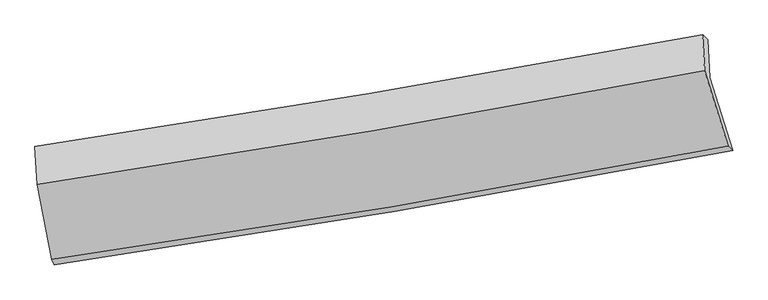
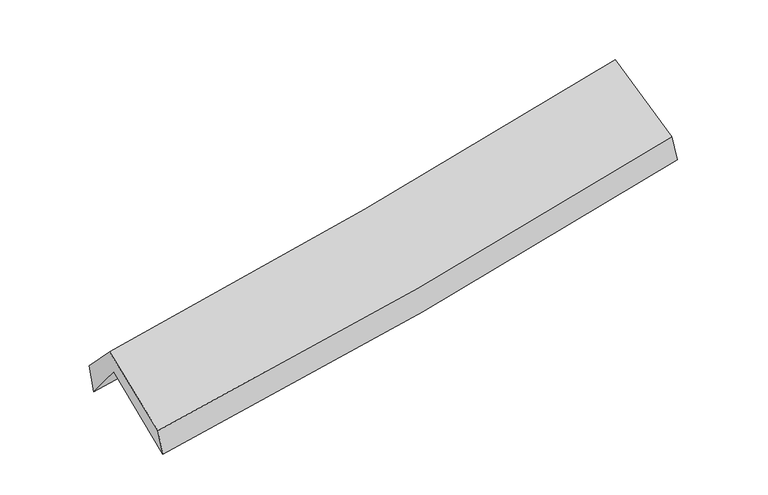
"""IFC4 building model written with IfcOpenShell, lengths in millimetres: proxy geometry."""

from ifc_helpers import new_model, si_unit, frame, origin, place, context, project, spatial, source, transform, mapped, element, save
from ifc_brep_helpers import plane_surface, spline_curve, spline_surface, advanced_brep


def generic_models_18c15f32(model_context):
    return source(origin(), model_context, "Body", "AdvancedBrep", [
        advanced_brep(
        [(-2195.136551, -2466.7541926, 1491.0431761), (-2294.8499999, -1955.7073018, 1917.6635764), (2224.8836543, -1204.063535, 2330.1643859), (2380.3793771, -1693.7532907, 1918.8665004), (-2306.5565058, -1699.9063672, 1595.9345976), (2213.1771485, -948.2626004, 2008.4354071), (-2325.7323207, -1669.1010865, 1806.1049045), (2178.0399769, -914.0817054, 2224.5714426), (-2310.1319462, -1925.0583235, 2073.5747642), (2192.0206268, -1156.1982694, 2506.7029631), (-2213.3339768, -2429.5404215, 1675.3363265), (2349.6639235, -1664.8298578, 2109.3438381)],
        [
            (0, 1),
            (1, 2, spline_curve(3, [(-2294.8499999, -1955.7073018, 1917.6635764), (-1538.739754984, -1842.811106837, 1972.446540164), (-784.148994533, -1723.745991847, 2034.201093182), (722.430654716, -1473.205232655, 2171.693267623), (1474.417778976, -1341.722425738, 2247.438984607), (2224.8836543, -1204.063535, 2330.1643859)], [4, 2, 4], [0.0, 7.594091183795276, 15.192590127505703])),
            (2, 3),
            (3, 0, spline_curve(3, [(2380.3793771, -1693.7532907, 1918.8665004), (1622.567977378, -1838.922833123, 1830.250999302), (862.257936146, -1975.94067067, 1750.283469643), (-662.916938012, -2233.598183479, 1607.685725019), (-1427.778872549, -2354.247313025, 1545.045479947), (-2195.136551, -2466.7541926, 1491.0431761)], [4, 2, 4], [0.0, 7.598498943710427, 15.192590127505703])),
            (1, 4),
            (4, 5, spline_curve(3, [(-2306.5565058, -1699.9063672, 1595.9345976), (-1550.446260813, -1587.010172332, 1650.717561235), (-795.855500326, -1467.945057363, 1712.472114287), (710.724148909, -1217.404298139, 1849.964288918), (1462.711273144, -1085.921491124, 1925.710005636), (2213.1771485, -948.2626004, 2008.4354071)], [4, 2, 4], [0.0, 7.544867620010804, 15.094114429612006])),
            (5, 2),
            (4, 6),
            (6, 7, spline_curve(3, [(-2325.7323207, -1669.1010865, 1806.1049045), (-1572.819972033, -1555.695971465, 1867.018281907), (-821.157965058, -1436.095184395, 1932.335786725), (680.100919151, -1184.429251465, 2071.819518682), (1429.696344715, -1052.356911715, 2145.990860087), (2178.0399769, -914.0817054, 2224.5714426)], [4, 2, 4], [0.0, 7.532799113487897, 15.069970411767594])),
            (7, 5),
            (6, 8),
            (8, 9, spline_curve(3, [(-2310.1319462, -1925.0583235, 2073.5747642), (-1556.464878369, -1812.550815967, 2135.547188546), (-804.56030082, -1692.246242713, 2202.615466499), (696.159269844, -1435.968611575, 2346.985615583), (1444.972217, -1299.986500259, 2424.293403742), (2192.0206268, -1156.1982694, 2506.7029631)], [4, 2, 4], [0.0, 7.522531673815262, 15.049429572998354])),
            (9, 7),
            (8, 10),
            (10, 11, spline_curve(3, [(-2213.3339768, -2429.5404215, 1675.3363265), (-1448.11001328, -2320.602150774, 1733.046904988), (-685.357809137, -2202.428303692, 1798.056875456), (835.644361063, -1947.535506772, 1942.717570321), (1593.891457247, -1810.805832466, 2022.376770353), (2349.6639235, -1664.8298578, 2109.3438381)], [4, 2, 4], [0.0, 7.573094257056686, 15.150584086999192])),
            (11, 9),
            (10, 0),
            (3, 11),
        ],
        [
            spline_surface(3, 3, [[(-2195.136551, -2466.7541926, 1491.0431761), (-1427.77887259, -2354.247313106, 1545.045479831), (-662.916937959, -2233.59818343, 1607.685725033), (862.257936094, -1975.94067072, 1750.283469628), (1622.567977454, -1838.92283309, 1830.250999191), (2380.3793771, -1693.7532907, 1918.8665004)], [(-2228.374367285, -2296.405228993, 1633.24997617), (-1464.765833344, -2183.768577715, 1687.512499905), (-703.327623445, -2063.647452888, 1749.85751438), (815.648842302, -1808.362191392, 1890.753402311), (1573.184577958, -1673.189363922, 1969.313660959), (2328.547469506, -1530.523372119, 2055.965795547)], [(-2261.612183615, -2126.056265407, 1775.45677633), (-1501.752794143, -2013.289842344, 1829.979520067), (-743.73830899, -1893.696722327, 1892.029303755), (769.039748451, -1640.783712045, 2031.223335021), (1523.801178442, -1507.455894797, 2108.376322785), (2276.715561894, -1367.293453581, 2193.065090753)], [(-2294.8499999, -1955.7073018, 1917.6635764), (-1538.739754898, -1842.811106954, 1972.446540141), (-784.148994476, -1723.745991785, 2034.201093102), (722.430654659, -1473.205232717, 2171.693267703), (1474.417778946, -1341.722425629, 2247.438984552), (2224.8836543, -1204.063535, 2330.1643859)]], [4, 4], [4, 2, 4], [0.0, 2.2084555364188514], [0.0, 7.594091183795276, 15.192590127505703]),
            spline_surface(3, 3, [[(-2294.8499999, -1955.7073018, 1917.6635764), (-1538.739754898, -1842.811106954, 1972.446540141), (-784.148994476, -1723.745991785, 2034.201093102), (722.430654659, -1473.205232717, 2171.693267703), (1474.417778946, -1341.722425629, 2247.438984552), (2224.8836543, -1204.063535, 2330.1643859)], [(-2298.752168517, -1870.440323619, 1810.420583474), (-1542.641923515, -1757.544128772, 1865.203547214), (-788.051163093, -1638.479013604, 1926.958100176), (718.528486042, -1387.938254536, 2064.450274776), (1470.515610329, -1256.455447448, 2140.195991626), (2220.981485683, -1118.796556819, 2222.921392974)], [(-2302.654337183, -1785.173345381, 1703.177590526), (-1546.544092181, -1672.277150535, 1757.960554267), (-791.953331659, -1553.212035467, 1819.715107229), (714.626317476, -1302.671276398, 1957.207281829), (1466.613441763, -1171.18846921, 2032.952998679), (2217.079317117, -1033.529578581, 2115.678400026)], [(-2306.5565058, -1699.9063672, 1595.9345976), (-1550.446260798, -1587.010172354, 1650.717561341), (-795.855500276, -1467.945057285, 1712.472114302), (710.724148859, -1217.404298217, 1849.964288903), (1462.711273146, -1085.921491029, 1925.710005752), (2213.1771485, -948.2626004, 2008.4354071)]], [4, 4], [4, 2, 4], [0.0, 1.3490624399442237], [0.0, 7.544867620010804, 15.094114429612006]),
            spline_surface(3, 3, [[(-2306.5565058, -1699.9063672, 1595.9345976), (-1550.446260798, -1587.010172354, 1650.717561341), (-795.855500276, -1467.945057285, 1712.472114302), (710.724148859, -1217.404298217, 1849.964288903), (1462.711273146, -1085.921491029, 1925.710005752), (2213.1771485, -948.2626004, 2008.4354071)], [(-2312.948444115, -1689.637940301, 1665.991366569), (-1557.904164582, -1576.572105365, 1722.817801534), (-804.289655214, -1457.328432979, 1785.760005082), (700.516405682, -1206.412616007, 1923.916032177), (1451.706297056, -1074.733297878, 1999.136957178), (2201.464757987, -936.868968726, 2080.480752279)], [(-2319.340382385, -1679.369513399, 1736.048135531), (-1565.36206832, -1566.134038372, 1794.91804172), (-812.723810224, -1446.711808627, 1859.047895881), (690.308662431, -1195.420933751, 1997.867775472), (1440.701320904, -1063.545104749, 2072.563908566), (2189.752367413, -925.475337074, 2152.526097421)], [(-2325.7323207, -1669.1010865, 1806.1049045), (-1572.819972104, -1555.695971383, 1867.018281914), (-821.157965161, -1436.09518432, 1932.33578666), (680.100919254, -1184.42925154, 2071.819518746), (1429.696344815, -1052.356911598, 2145.990859992), (2178.0399769, -914.0817054, 2224.5714426)]], [4, 4], [4, 2, 4], [0.0, 0.7380923524909093], [0.0, 7.532799113487897, 15.069970411767594]),
            spline_surface(3, 3, [[(-2325.7323207, -1669.1010865, 1806.1049045), (-1572.819972104, -1555.695971383, 1867.018281914), (-821.157965161, -1436.09518432, 1932.33578666), (680.100919254, -1184.42925154, 2071.819518746), (1429.696344815, -1052.356911598, 2145.990859992), (2178.0399769, -914.0817054, 2224.5714426)], [(-2320.532195884, -1754.420165489, 1895.261524392), (-1567.368274171, -1641.314252901, 1956.527917412), (-815.625410422, -1521.478870421, 2022.429013244), (685.453702827, -1268.275704927, 2163.541551016), (1434.788302183, -1134.900107854, 2238.7583746), (2182.700193521, -994.787226748, 2318.615282765)], [(-2315.332071016, -1839.739244511, 1984.418144308), (-1561.916576187, -1726.932534451, 2046.037552936), (-810.092855685, -1606.862556504, 2112.522239885), (690.806486397, -1352.122158297, 2255.263583343), (1439.880259588, -1217.443304068, 2331.525889214), (2187.360410179, -1075.492748052, 2412.659122935)], [(-2310.1319462, -1925.0583235, 2073.5747642), (-1556.464878253, -1812.550815969, 2135.547188434), (-804.560300945, -1692.246242605, 2202.615466469), (696.159269969, -1435.968611684, 2346.985615612), (1444.972216957, -1299.986500324, 2424.293403823), (2192.0206268, -1156.1982694, 2506.7029631)]], [4, 4], [4, 2, 4], [0.0, 1.2235459310751857], [0.0, 7.522531673815262, 15.049429572998354]),
            spline_surface(3, 3, [[(-2310.1319462, -1925.0583235, 2073.5747642), (-1556.464878253, -1812.550815969, 2135.547188434), (-804.560300945, -1692.246242605, 2202.615466469), (696.159269969, -1435.968611684, 2346.985615612), (1444.972216957, -1299.986500324, 2424.293403823), (2192.0206268, -1156.1982694, 2506.7029631)], [(-2277.865956369, -2093.219022847, 1940.828618319), (-1520.346589862, -1981.901260897, 2001.380427336), (-764.82613704, -1862.306929661, 2067.762602863), (742.654300312, -1606.490910014, 2212.229600506), (1494.611963693, -1470.259611013, 2290.321192623), (2244.568392355, -1325.742132205, 2374.249921414)], [(-2245.599966631, -2261.379722153, 1808.082472381), (-1484.228301564, -2151.251705784, 1867.213666181), (-725.091973055, -2032.367616725, 1932.909739173), (789.149330733, -1777.013208353, 2077.473585316), (1544.251710463, -1640.532721685, 2156.34898148), (2297.116157945, -1495.285994995, 2241.796879786)], [(-2213.3339768, -2429.5404215, 1675.3363265), (-1448.110013172, -2320.602150712, 1733.046905083), (-685.35780915, -2202.428303781, 1798.056875567), (835.644361076, -1947.535506683, 1942.717570209), (1593.8914572, -1810.805832374, 2022.37677028), (2349.6639235, -1664.8298578, 2109.3438381)]], [4, 4], [4, 2, 4], [0.0, 2.179412687863416], [0.0, 7.573094257056686, 15.150584086999192]),
            spline_surface(3, 3, [[(-2213.3339768, -2429.5404215, 1675.3363265), (-1448.110013172, -2320.602150712, 1733.046905083), (-685.35780915, -2202.428303781, 1798.056875567), (835.644361076, -1947.535506683, 1942.717570209), (1593.8914572, -1810.805832374, 2022.37677028), (2349.6639235, -1664.8298578, 2109.3438381)], [(-2207.268168231, -2441.945011851, 1613.905276376), (-1441.332966342, -2331.817204827, 1670.379763342), (-677.877518754, -2212.818263654, 1734.599825389), (844.515552747, -1957.003894685, 1878.572870016), (1603.450297298, -1820.178165929, 1958.334846605), (2359.902408047, -1674.471002083, 2045.851392221)], [(-2201.202359569, -2454.349602249, 1552.474226224), (-1434.55591942, -2343.03225899, 1607.712621572), (-670.397228355, -2223.208223557, 1671.142775211), (853.386744422, -1966.472282718, 1814.428169822), (1613.009137356, -1829.550499535, 1894.292922867), (2370.140892553, -1684.112146417, 1982.358946279)], [(-2195.136551, -2466.7541926, 1491.0431761), (-1427.77887259, -2354.247313106, 1545.045479831), (-662.916937959, -2233.59818343, 1607.685725033), (862.257936094, -1975.94067072, 1750.283469628), (1622.567977454, -1838.92283309, 1830.250999191), (2380.3793771, -1693.7532907, 1918.8665004)]], [4, 4], [4, 2, 4], [0.0, 0.6405967960101479], [0.0, 7.6325211898069005, 15.269472445060444]),
            plane_surface(frame((2256.3607845, -1263.5315431, 2183.0140896), z_axis=(0.9711257347986257, 0.20269166234712233, 0.1258208934429784), x_axis=(0.23726510702523967, -0.7655290825195485, -0.5980555934067332))),
            plane_surface(frame((-2274.2902167, -2024.3446155, 1759.9428909), z_axis=(-0.9884707366639552, -0.1339707389730594, -0.07055100182159421), x_axis=(-0.09633801113788852, 0.19701142060162677, 0.9756564394101672))),
        ],
        [
            (0, [[1, 2, 3, 4]]),
            (1, [[5, 6, 7, -2]]),
            (2, [[8, 9, 10, -6]]),
            (3, [[11, 12, 13, -9]]),
            (4, [[14, 15, 16, -12]]),
            (5, [[17, -4, 18, -15]]),
            (6, [[-16, -18, -3, -7, -10, -13]]),
            (7, [[-17, -14, -11, -8, -5, -1]]),
        ],
    ),
    ])


if __name__ == "__main__":
    model = new_model("IFC4")
    model_context = context("Model", 3, world=origin())
    ifc_project = project(units=[si_unit("LENGTHUNIT", "METRE", prefix="MILLI")], contexts=[model_context])
    site = spatial("IfcSite", under=ifc_project)
    building = spatial("IfcBuilding", under=site)
    placement = place(None, origin())
    generic_models_shape = generic_models_18c15f32(model_context)
    element("IfcBuildingElementProxy", 1, Name="Generic Models", at=placement, inside=building, context=model_context, shape_type="MappedRepresentation", body=[
        mapped(generic_models_shape, transform((0.0, 0.0, 0.0), x_axis=(1.0, 0.0, 0.0), y_axis=(0.0, 1.0, 0.0), z_axis=(0.0, 0.0, 1.0))),
    ])
    save(model, "model.ifc")
